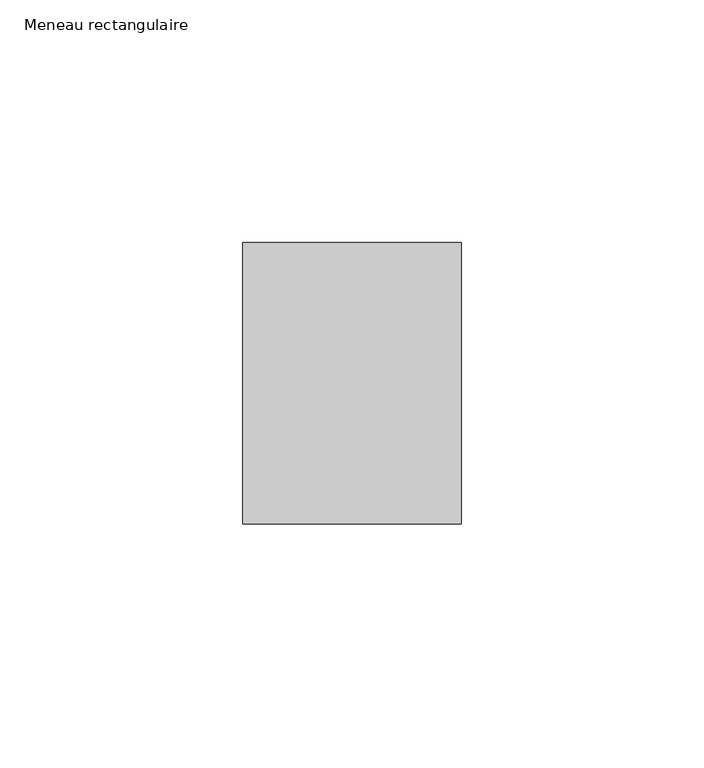
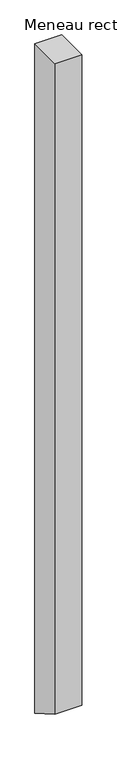
"""IFC4 building model written with IfcOpenShell, lengths in millimetres: member geometry, Meneau rectangulaire."""

from ifc_helpers import new_model, si_unit, frame, origin, place, context, project, spatial, polyline, outline, extrude, source, transform, mapped, element, save


def meneau_rectangulaire_632a1bc6(model_context):
    return source(origin(), model_context, "Body", "SweptSolid", [
        extrude(outline(polyline([(-29.0, 0.0), (29.0, 0.0), (29.0, -1187.368158), (-29.0, -1153.8818423), (-29.0, 0.0)])), frame((-45.0, 0.0, 0.0), z_axis=(1.0, 0.0, 0.0), x_axis=(0.0, 1.0, 0.0)), (0.0, 0.0, 1.0), 45.0),
    ])


if __name__ == "__main__":
    model = new_model("IFC4")
    model_context = context("Model", 3, world=origin())
    ifc_project = project(units=[si_unit("LENGTHUNIT", "METRE", prefix="MILLI")], contexts=[model_context])
    site = spatial("IfcSite", under=ifc_project)
    building = spatial("IfcBuilding", under=site)
    placement = place(None, origin())
    meneau_rectangulaire_shape = meneau_rectangulaire_632a1bc6(model_context)
    element("IfcMember", 1, ObjectType="Meneau rectangulaire", at=placement, inside=building, context=model_context, shape_type="MappedRepresentation", body=[
        mapped(meneau_rectangulaire_shape, transform((0.0, 0.0, 0.0), x_axis=(1.0, 0.0, 0.0), y_axis=(0.0, 1.0, 0.0), z_axis=(0.0, 0.0, 1.0))),
    ])
    save(model, "model.ifc")
